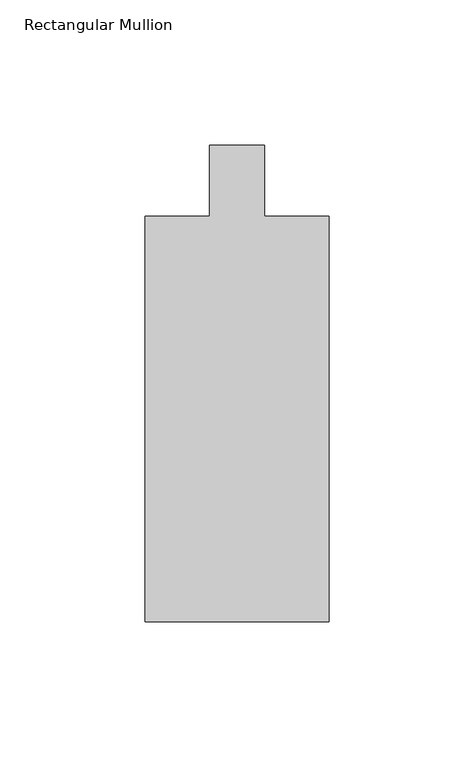
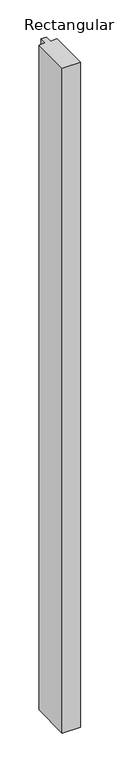
"""IFC4 building model written with IfcOpenShell, lengths in millimetres: member geometry, Rectangular Mullion."""

from ifc_helpers import new_model, si_unit, frame, origin, place, context, project, spatial, polyline, outline, extrude, source, transform, mapped, element, save


def rectangular_mullion_12898bc6(model_context):
    return source(origin(), model_context, "Body", "SweptSolid", [
        extrude(outline(polyline([(-31.7499972, -152.4207037), (-31.7712455, -12.708303), (-9.5331524, -12.7049209), (-9.536898, 11.9234041), (9.5001216, 11.9262994), (9.5038667, -12.698558), (31.7287471, -12.6951779), (31.749996, -152.4110463), (-31.7499972, -152.4207037)])), frame((0.0, 0.0, -2438.4), z_axis=(0.0, 0.0, 1.0), x_axis=(1.0, 0.0, 0.0)), (0.0, 0.0, 1.0), 2438.4),
    ])


if __name__ == "__main__":
    model = new_model("IFC4")
    model_context = context("Model", 3, world=origin())
    ifc_project = project(units=[si_unit("LENGTHUNIT", "METRE", prefix="MILLI")], contexts=[model_context])
    site = spatial("IfcSite", under=ifc_project)
    building = spatial("IfcBuilding", under=site)
    placement = place(None, origin())
    rectangular_mullion_shape = rectangular_mullion_12898bc6(model_context)
    element("IfcMember", 1, ObjectType="Rectangular Mullion", at=placement, inside=building, context=model_context, shape_type="MappedRepresentation", body=[
        mapped(rectangular_mullion_shape, transform((0.0, 0.0, 0.0), x_axis=(1.0, 0.0, 0.0), y_axis=(0.0, 1.0, 0.0), z_axis=(0.0, 0.0, 1.0))),
    ])
    save(model, "model.ifc")
